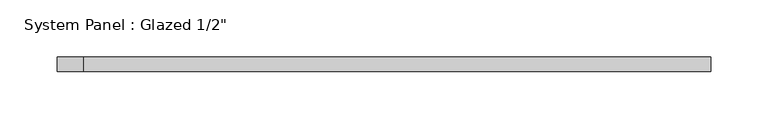
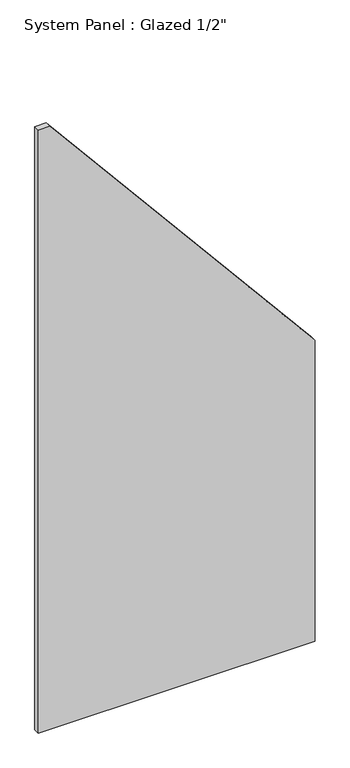
"""IFC4 building model written with IfcOpenShell, lengths in millimetres: plate geometry."""

from ifc_helpers import new_model, si_unit, frame, origin, place, context, project, spatial, polyline, outline, extrude, source, transform, mapped, element, save


def plate_cc2f2c59(model_context):
    return source(origin(), model_context, "Body", "SweptSolid", [
        extrude(outline(polyline([(0.0, -285.56239), (0.0, 285.56239), (656.9483744, 285.56239), (1315.7025574, -262.554222), (1315.7025574, -285.56239), (0.0, -285.56239)])), frame((0.0, -6.35, 0.0), z_axis=(0.0, 1.0, 0.0), x_axis=(0.0, 0.0, 1.0)), (0.0, 0.0, 1.0), 12.7),
    ])


if __name__ == "__main__":
    model = new_model("IFC4")
    model_context = context("Model", 3, world=origin())
    ifc_project = project(units=[si_unit("LENGTHUNIT", "METRE", prefix="MILLI")], contexts=[model_context])
    site = spatial("IfcSite", under=ifc_project)
    building = spatial("IfcBuilding", under=site)
    placement = place(None, origin())
    plate_shape = plate_cc2f2c59(model_context)
    element("IfcPlate", 1, ObjectType="System Panel : Glazed 1/2\"", at=placement, inside=building, context=model_context, shape_type="MappedRepresentation", body=[
        mapped(plate_shape, transform((0.0, 0.0, 0.0), x_axis=(1.0, 0.0, 0.0), y_axis=(0.0, 1.0, 0.0), z_axis=(0.0, 0.0, 1.0))),
    ])
    save(model, "model.ifc")
